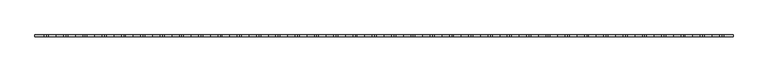
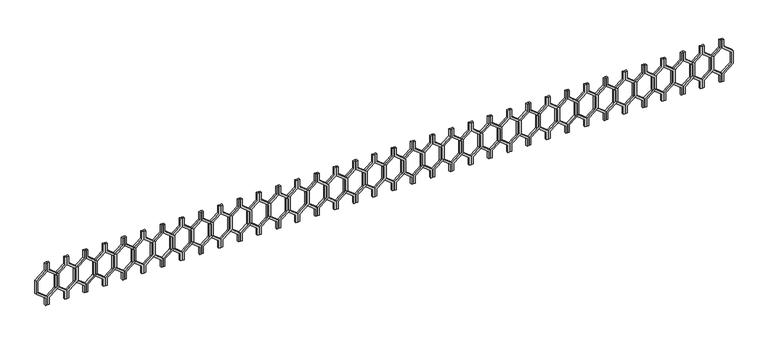
"""IFC4 building model written with IfcOpenShell, lengths in millimetres: railing geometry."""

from ifc_helpers import new_model, si_unit, frame, origin, place, context, project, spatial, polyline, outline, extrude, source, transform, mapped, element, save


def railing_6591c5d7(model_context):
    return source(origin(), model_context, "Body", "SweptSolid", [
        extrude(outline(polyline([(28862.5128869, 33745.0112841), (28862.5128869, 33725.0112841), (28782.5128869, 33725.0112841), (28702.5128869, 33626.0163347), (28562.5128869, 33626.0163347), (28482.5128869, 33725.0112841), (28402.5128869, 33725.0112841), (28402.5128869, 33745.0112841), (28492.0647319, 33745.0112841), (28572.0647319, 33646.0163347), (28692.9610419, 33646.0163347), (28772.9610419, 33745.0112841), (28862.5128869, 33745.0112841)])), frame((0.0, -16741.8920513, 0.0), z_axis=(0.0, 1.0, 0.0), x_axis=(0.0, 0.0, 1.0)), (0.0, 0.0, 1.0), 20.0),
        extrude(outline(polyline([(28862.5128869, 33745.0112841), (28772.9610419, 33745.0112841), (28692.9610419, 33844.0062335), (28572.0647319, 33844.0062335), (28492.0647319, 33745.0112841), (28402.5128869, 33745.0112841), (28402.5128869, 33765.0112841), (28482.5128869, 33765.0112841), (28562.5128869, 33864.0062335), (28702.5128869, 33864.0062335), (28782.5128869, 33765.0112841), (28862.5128869, 33765.0112841), (28862.5128869, 33745.0112841)])), frame((0.0, -16741.8920513, 0.0), z_axis=(0.0, 1.0, 0.0), x_axis=(0.0, 0.0, 1.0)), (0.0, 0.0, 1.0), 20.0),
        extrude(outline(polyline([(28862.5128869, 33945.0112841), (28862.5128869, 33925.0112841), (28782.5128869, 33925.0112841), (28702.5128869, 33826.0163347), (28562.5128869, 33826.0163347), (28482.5128869, 33925.0112841), (28402.5128869, 33925.0112841), (28402.5128869, 33945.0112841), (28492.0647319, 33945.0112841), (28572.0647319, 33846.0163347), (28692.9610419, 33846.0163347), (28772.9610419, 33945.0112841), (28862.5128869, 33945.0112841)])), frame((0.0, -16741.8920513, 0.0), z_axis=(0.0, 1.0, 0.0), x_axis=(0.0, 0.0, 1.0)), (0.0, 0.0, 1.0), 20.0),
        extrude(outline(polyline([(28862.5128869, 33945.0112841), (28772.9610419, 33945.0112841), (28692.9610419, 34044.0062335), (28572.0647319, 34044.0062335), (28492.0647319, 33945.0112841), (28402.5128869, 33945.0112841), (28402.5128869, 33965.0112841), (28482.5128869, 33965.0112841), (28562.5128869, 34064.0062335), (28702.5128869, 34064.0062335), (28782.5128869, 33965.0112841), (28862.5128869, 33965.0112841), (28862.5128869, 33945.0112841)])), frame((0.0, -16741.8920513, 0.0), z_axis=(0.0, 1.0, 0.0), x_axis=(0.0, 0.0, 1.0)), (0.0, 0.0, 1.0), 20.0),
        extrude(outline(polyline([(28862.5128869, 34145.0112841), (28862.5128869, 34125.0112841), (28782.5128869, 34125.0112841), (28702.5128869, 34026.0163347), (28562.5128869, 34026.0163347), (28482.5128869, 34125.0112841), (28402.5128869, 34125.0112841), (28402.5128869, 34145.0112841), (28492.0647319, 34145.0112841), (28572.0647319, 34046.0163347), (28692.9610419, 34046.0163347), (28772.9610419, 34145.0112841), (28862.5128869, 34145.0112841)])), frame((0.0, -16741.8920513, 0.0), z_axis=(0.0, 1.0, 0.0), x_axis=(0.0, 0.0, 1.0)), (0.0, 0.0, 1.0), 20.0),
        extrude(outline(polyline([(28862.5128869, 34145.0112841), (28772.9610419, 34145.0112841), (28692.9610419, 34244.0062335), (28572.0647319, 34244.0062335), (28492.0647319, 34145.0112841), (28402.5128869, 34145.0112841), (28402.5128869, 34165.0112841), (28482.5128869, 34165.0112841), (28562.5128869, 34264.0062335), (28702.5128869, 34264.0062335), (28782.5128869, 34165.0112841), (28862.5128869, 34165.0112841), (28862.5128869, 34145.0112841)])), frame((0.0, -16741.8920513, 0.0), z_axis=(0.0, 1.0, 0.0), x_axis=(0.0, 0.0, 1.0)), (0.0, 0.0, 1.0), 20.0),
        extrude(outline(polyline([(28862.5128869, 34345.0112841), (28862.5128869, 34325.0112841), (28782.5128869, 34325.0112841), (28702.5128869, 34226.0163347), (28562.5128869, 34226.0163347), (28482.5128869, 34325.0112841), (28402.5128869, 34325.0112841), (28402.5128869, 34345.0112841), (28492.0647319, 34345.0112841), (28572.0647319, 34246.0163347), (28692.9610419, 34246.0163347), (28772.9610419, 34345.0112841), (28862.5128869, 34345.0112841)])), frame((0.0, -16741.8920513, 0.0), z_axis=(0.0, 1.0, 0.0), x_axis=(0.0, 0.0, 1.0)), (0.0, 0.0, 1.0), 20.0),
        extrude(outline(polyline([(28862.5128869, 34345.0112841), (28772.9610419, 34345.0112841), (28692.9610419, 34444.0062335), (28572.0647319, 34444.0062335), (28492.0647319, 34345.0112841), (28402.5128869, 34345.0112841), (28402.5128869, 34365.0112841), (28482.5128869, 34365.0112841), (28562.5128869, 34464.0062335), (28702.5128869, 34464.0062335), (28782.5128869, 34365.0112841), (28862.5128869, 34365.0112841), (28862.5128869, 34345.0112841)])), frame((0.0, -16741.8920513, 0.0), z_axis=(0.0, 1.0, 0.0), x_axis=(0.0, 0.0, 1.0)), (0.0, 0.0, 1.0), 20.0),
        extrude(outline(polyline([(28862.5128869, 34545.0112841), (28862.5128869, 34525.0112841), (28782.5128869, 34525.0112841), (28702.5128869, 34426.0163347), (28562.5128869, 34426.0163347), (28482.5128869, 34525.0112841), (28402.5128869, 34525.0112841), (28402.5128869, 34545.0112841), (28492.0647319, 34545.0112841), (28572.0647319, 34446.0163347), (28692.9610419, 34446.0163347), (28772.9610419, 34545.0112841), (28862.5128869, 34545.0112841)])), frame((0.0, -16741.8920513, 0.0), z_axis=(0.0, 1.0, 0.0), x_axis=(0.0, 0.0, 1.0)), (0.0, 0.0, 1.0), 20.0),
        extrude(outline(polyline([(28862.5128869, 34545.0112841), (28772.9610419, 34545.0112841), (28692.9610419, 34644.0062335), (28572.0647319, 34644.0062335), (28492.0647319, 34545.0112841), (28402.5128869, 34545.0112841), (28402.5128869, 34565.0112841), (28482.5128869, 34565.0112841), (28562.5128869, 34664.0062335), (28702.5128869, 34664.0062335), (28782.5128869, 34565.0112841), (28862.5128869, 34565.0112841), (28862.5128869, 34545.0112841)])), frame((0.0, -16741.8920513, 0.0), z_axis=(0.0, 1.0, 0.0), x_axis=(0.0, 0.0, 1.0)), (0.0, 0.0, 1.0), 20.0),
        extrude(outline(polyline([(28862.5128869, 34745.0112841), (28862.5128869, 34725.0112841), (28782.5128869, 34725.0112841), (28702.5128869, 34626.0163347), (28562.5128869, 34626.0163347), (28482.5128869, 34725.0112841), (28402.5128869, 34725.0112841), (28402.5128869, 34745.0112841), (28492.0647319, 34745.0112841), (28572.0647319, 34646.0163347), (28692.9610419, 34646.0163347), (28772.9610419, 34745.0112841), (28862.5128869, 34745.0112841)])), frame((0.0, -16741.8920513, 0.0), z_axis=(0.0, 1.0, 0.0), x_axis=(0.0, 0.0, 1.0)), (0.0, 0.0, 1.0), 20.0),
        extrude(outline(polyline([(28862.5128869, 34745.0112841), (28772.9610419, 34745.0112841), (28692.9610419, 34844.0062335), (28572.0647319, 34844.0062335), (28492.0647319, 34745.0112841), (28402.5128869, 34745.0112841), (28402.5128869, 34765.0112841), (28482.5128869, 34765.0112841), (28562.5128869, 34864.0062335), (28702.5128869, 34864.0062335), (28782.5128869, 34765.0112841), (28862.5128869, 34765.0112841), (28862.5128869, 34745.0112841)])), frame((0.0, -16741.8920513, 0.0), z_axis=(0.0, 1.0, 0.0), x_axis=(0.0, 0.0, 1.0)), (0.0, 0.0, 1.0), 20.0),
        extrude(outline(polyline([(28862.5128869, 34945.0112841), (28862.5128869, 34925.0112841), (28782.5128869, 34925.0112841), (28702.5128869, 34826.0163347), (28562.5128869, 34826.0163347), (28482.5128869, 34925.0112841), (28402.5128869, 34925.0112841), (28402.5128869, 34945.0112841), (28492.0647319, 34945.0112841), (28572.0647319, 34846.0163347), (28692.9610419, 34846.0163347), (28772.9610419, 34945.0112841), (28862.5128869, 34945.0112841)])), frame((0.0, -16741.8920513, 0.0), z_axis=(0.0, 1.0, 0.0), x_axis=(0.0, 0.0, 1.0)), (0.0, 0.0, 1.0), 20.0),
        extrude(outline(polyline([(28862.5128869, 34945.0112841), (28772.9610419, 34945.0112841), (28692.9610419, 35044.0062335), (28572.0647319, 35044.0062335), (28492.0647319, 34945.0112841), (28402.5128869, 34945.0112841), (28402.5128869, 34965.0112841), (28482.5128869, 34965.0112841), (28562.5128869, 35064.0062335), (28702.5128869, 35064.0062335), (28782.5128869, 34965.0112841), (28862.5128869, 34965.0112841), (28862.5128869, 34945.0112841)])), frame((0.0, -16741.8920513, 0.0), z_axis=(0.0, 1.0, 0.0), x_axis=(0.0, 0.0, 1.0)), (0.0, 0.0, 1.0), 20.0),
        extrude(outline(polyline([(28862.5128869, 35145.0112841), (28862.5128869, 35125.0112841), (28782.5128869, 35125.0112841), (28702.5128869, 35026.0163347), (28562.5128869, 35026.0163347), (28482.5128869, 35125.0112841), (28402.5128869, 35125.0112841), (28402.5128869, 35145.0112841), (28492.0647319, 35145.0112841), (28572.0647319, 35046.0163347), (28692.9610419, 35046.0163347), (28772.9610419, 35145.0112841), (28862.5128869, 35145.0112841)])), frame((0.0, -16741.8920513, 0.0), z_axis=(0.0, 1.0, 0.0), x_axis=(0.0, 0.0, 1.0)), (0.0, 0.0, 1.0), 20.0),
        extrude(outline(polyline([(28862.5128869, 35145.0112841), (28772.9610419, 35145.0112841), (28692.9610419, 35244.0062335), (28572.0647319, 35244.0062335), (28492.0647319, 35145.0112841), (28402.5128869, 35145.0112841), (28402.5128869, 35165.0112841), (28482.5128869, 35165.0112841), (28562.5128869, 35264.0062335), (28702.5128869, 35264.0062335), (28782.5128869, 35165.0112841), (28862.5128869, 35165.0112841), (28862.5128869, 35145.0112841)])), frame((0.0, -16741.8920513, 0.0), z_axis=(0.0, 1.0, 0.0), x_axis=(0.0, 0.0, 1.0)), (0.0, 0.0, 1.0), 20.0),
        extrude(outline(polyline([(28862.5128869, 35345.0112841), (28862.5128869, 35325.0112841), (28782.5128869, 35325.0112841), (28702.5128869, 35226.0163347), (28562.5128869, 35226.0163347), (28482.5128869, 35325.0112841), (28402.5128869, 35325.0112841), (28402.5128869, 35345.0112841), (28492.0647319, 35345.0112841), (28572.0647319, 35246.0163347), (28692.9610419, 35246.0163347), (28772.9610419, 35345.0112841), (28862.5128869, 35345.0112841)])), frame((0.0, -16741.8920513, 0.0), z_axis=(0.0, 1.0, 0.0), x_axis=(0.0, 0.0, 1.0)), (0.0, 0.0, 1.0), 20.0),
        extrude(outline(polyline([(28862.5128869, 35345.0112841), (28772.9610419, 35345.0112841), (28692.9610419, 35444.0062335), (28572.0647319, 35444.0062335), (28492.0647319, 35345.0112841), (28402.5128869, 35345.0112841), (28402.5128869, 35365.0112841), (28482.5128869, 35365.0112841), (28562.5128869, 35464.0062335), (28702.5128869, 35464.0062335), (28782.5128869, 35365.0112841), (28862.5128869, 35365.0112841), (28862.5128869, 35345.0112841)])), frame((0.0, -16741.8920513, 0.0), z_axis=(0.0, 1.0, 0.0), x_axis=(0.0, 0.0, 1.0)), (0.0, 0.0, 1.0), 20.0),
        extrude(outline(polyline([(28862.5128869, 35545.0112841), (28862.5128869, 35525.0112841), (28782.5128869, 35525.0112841), (28702.5128869, 35426.0163347), (28562.5128869, 35426.0163347), (28482.5128869, 35525.0112841), (28402.5128869, 35525.0112841), (28402.5128869, 35545.0112841), (28492.0647319, 35545.0112841), (28572.0647319, 35446.0163347), (28692.9610419, 35446.0163347), (28772.9610419, 35545.0112841), (28862.5128869, 35545.0112841)])), frame((0.0, -16741.8920513, 0.0), z_axis=(0.0, 1.0, 0.0), x_axis=(0.0, 0.0, 1.0)), (0.0, 0.0, 1.0), 20.0),
        extrude(outline(polyline([(28862.5128869, 35545.0112841), (28772.9610419, 35545.0112841), (28692.9610419, 35644.0062335), (28572.0647319, 35644.0062335), (28492.0647319, 35545.0112841), (28402.5128869, 35545.0112841), (28402.5128869, 35565.0112841), (28482.5128869, 35565.0112841), (28562.5128869, 35664.0062335), (28702.5128869, 35664.0062335), (28782.5128869, 35565.0112841), (28862.5128869, 35565.0112841), (28862.5128869, 35545.0112841)])), frame((0.0, -16741.8920513, 0.0), z_axis=(0.0, 1.0, 0.0), x_axis=(0.0, 0.0, 1.0)), (0.0, 0.0, 1.0), 20.0),
        extrude(outline(polyline([(28862.5128869, 35745.0112841), (28862.5128869, 35725.0112841), (28782.5128869, 35725.0112841), (28702.5128869, 35626.0163347), (28562.5128869, 35626.0163347), (28482.5128869, 35725.0112841), (28402.5128869, 35725.0112841), (28402.5128869, 35745.0112841), (28492.0647319, 35745.0112841), (28572.0647319, 35646.0163347), (28692.9610419, 35646.0163347), (28772.9610419, 35745.0112841), (28862.5128869, 35745.0112841)])), frame((0.0, -16741.8920513, 0.0), z_axis=(0.0, 1.0, 0.0), x_axis=(0.0, 0.0, 1.0)), (0.0, 0.0, 1.0), 20.0),
        extrude(outline(polyline([(28862.5128869, 35745.0112841), (28772.9610419, 35745.0112841), (28692.9610419, 35844.0062335), (28572.0647319, 35844.0062335), (28492.0647319, 35745.0112841), (28402.5128869, 35745.0112841), (28402.5128869, 35765.0112841), (28482.5128869, 35765.0112841), (28562.5128869, 35864.0062335), (28702.5128869, 35864.0062335), (28782.5128869, 35765.0112841), (28862.5128869, 35765.0112841), (28862.5128869, 35745.0112841)])), frame((0.0, -16741.8920513, 0.0), z_axis=(0.0, 1.0, 0.0), x_axis=(0.0, 0.0, 1.0)), (0.0, 0.0, 1.0), 20.0),
        extrude(outline(polyline([(28862.5128869, 35945.0112841), (28862.5128869, 35925.0112841), (28782.5128869, 35925.0112841), (28702.5128869, 35826.0163347), (28562.5128869, 35826.0163347), (28482.5128869, 35925.0112841), (28402.5128869, 35925.0112841), (28402.5128869, 35945.0112841), (28492.0647319, 35945.0112841), (28572.0647319, 35846.0163347), (28692.9610419, 35846.0163347), (28772.9610419, 35945.0112841), (28862.5128869, 35945.0112841)])), frame((0.0, -16741.8920513, 0.0), z_axis=(0.0, 1.0, 0.0), x_axis=(0.0, 0.0, 1.0)), (0.0, 0.0, 1.0), 20.0),
        extrude(outline(polyline([(28862.5128869, 35945.0112841), (28772.9610419, 35945.0112841), (28692.9610419, 36044.0062335), (28572.0647319, 36044.0062335), (28492.0647319, 35945.0112841), (28402.5128869, 35945.0112841), (28402.5128869, 35965.0112841), (28482.5128869, 35965.0112841), (28562.5128869, 36064.0062335), (28702.5128869, 36064.0062335), (28782.5128869, 35965.0112841), (28862.5128869, 35965.0112841), (28862.5128869, 35945.0112841)])), frame((0.0, -16741.8920513, 0.0), z_axis=(0.0, 1.0, 0.0), x_axis=(0.0, 0.0, 1.0)), (0.0, 0.0, 1.0), 20.0),
        extrude(outline(polyline([(28862.5128869, 36145.0112841), (28862.5128869, 36125.0112841), (28782.5128869, 36125.0112841), (28702.5128869, 36026.0163347), (28562.5128869, 36026.0163347), (28482.5128869, 36125.0112841), (28402.5128869, 36125.0112841), (28402.5128869, 36145.0112841), (28492.0647319, 36145.0112841), (28572.0647319, 36046.0163347), (28692.9610419, 36046.0163347), (28772.9610419, 36145.0112841), (28862.5128869, 36145.0112841)])), frame((0.0, -16741.8920513, 0.0), z_axis=(0.0, 1.0, 0.0), x_axis=(0.0, 0.0, 1.0)), (0.0, 0.0, 1.0), 20.0),
        extrude(outline(polyline([(28862.5128869, 36145.0112841), (28772.9610419, 36145.0112841), (28692.9610419, 36244.0062335), (28572.0647319, 36244.0062335), (28492.0647319, 36145.0112841), (28402.5128869, 36145.0112841), (28402.5128869, 36165.0112841), (28482.5128869, 36165.0112841), (28562.5128869, 36264.0062335), (28702.5128869, 36264.0062335), (28782.5128869, 36165.0112841), (28862.5128869, 36165.0112841), (28862.5128869, 36145.0112841)])), frame((0.0, -16741.8920513, 0.0), z_axis=(0.0, 1.0, 0.0), x_axis=(0.0, 0.0, 1.0)), (0.0, 0.0, 1.0), 20.0),
        extrude(outline(polyline([(28862.5128869, 36345.0112841), (28862.5128869, 36325.0112841), (28782.5128869, 36325.0112841), (28702.5128869, 36226.0163347), (28562.5128869, 36226.0163347), (28482.5128869, 36325.0112841), (28402.5128869, 36325.0112841), (28402.5128869, 36345.0112841), (28492.0647319, 36345.0112841), (28572.0647319, 36246.0163347), (28692.9610419, 36246.0163347), (28772.9610419, 36345.0112841), (28862.5128869, 36345.0112841)])), frame((0.0, -16741.8920513, 0.0), z_axis=(0.0, 1.0, 0.0), x_axis=(0.0, 0.0, 1.0)), (0.0, 0.0, 1.0), 20.0),
        extrude(outline(polyline([(28862.5128869, 36345.0112841), (28772.9610419, 36345.0112841), (28692.9610419, 36444.0062335), (28572.0647319, 36444.0062335), (28492.0647319, 36345.0112841), (28402.5128869, 36345.0112841), (28402.5128869, 36365.0112841), (28482.5128869, 36365.0112841), (28562.5128869, 36464.0062335), (28702.5128869, 36464.0062335), (28782.5128869, 36365.0112841), (28862.5128869, 36365.0112841), (28862.5128869, 36345.0112841)])), frame((0.0, -16741.8920513, 0.0), z_axis=(0.0, 1.0, 0.0), x_axis=(0.0, 0.0, 1.0)), (0.0, 0.0, 1.0), 20.0),
        extrude(outline(polyline([(28862.5128869, 36545.0112841), (28862.5128869, 36525.0112841), (28782.5128869, 36525.0112841), (28702.5128869, 36426.0163347), (28562.5128869, 36426.0163347), (28482.5128869, 36525.0112841), (28402.5128869, 36525.0112841), (28402.5128869, 36545.0112841), (28492.0647319, 36545.0112841), (28572.0647319, 36446.0163347), (28692.9610419, 36446.0163347), (28772.9610419, 36545.0112841), (28862.5128869, 36545.0112841)])), frame((0.0, -16741.8920513, 0.0), z_axis=(0.0, 1.0, 0.0), x_axis=(0.0, 0.0, 1.0)), (0.0, 0.0, 1.0), 20.0),
        extrude(outline(polyline([(28862.5128869, 36545.0112841), (28772.9610419, 36545.0112841), (28692.9610419, 36644.0062335), (28572.0647319, 36644.0062335), (28492.0647319, 36545.0112841), (28402.5128869, 36545.0112841), (28402.5128869, 36565.0112841), (28482.5128869, 36565.0112841), (28562.5128869, 36664.0062335), (28702.5128869, 36664.0062335), (28782.5128869, 36565.0112841), (28862.5128869, 36565.0112841), (28862.5128869, 36545.0112841)])), frame((0.0, -16741.8920513, 0.0), z_axis=(0.0, 1.0, 0.0), x_axis=(0.0, 0.0, 1.0)), (0.0, 0.0, 1.0), 20.0),
        extrude(outline(polyline([(28862.5128869, 36745.0112841), (28862.5128869, 36725.0112841), (28782.5128869, 36725.0112841), (28702.5128869, 36626.0163347), (28562.5128869, 36626.0163347), (28482.5128869, 36725.0112841), (28402.5128869, 36725.0112841), (28402.5128869, 36745.0112841), (28492.0647319, 36745.0112841), (28572.0647319, 36646.0163347), (28692.9610419, 36646.0163347), (28772.9610419, 36745.0112841), (28862.5128869, 36745.0112841)])), frame((0.0, -16741.8920513, 0.0), z_axis=(0.0, 1.0, 0.0), x_axis=(0.0, 0.0, 1.0)), (0.0, 0.0, 1.0), 20.0),
        extrude(outline(polyline([(28862.5128869, 36745.0112841), (28772.9610419, 36745.0112841), (28692.9610419, 36844.0062335), (28572.0647319, 36844.0062335), (28492.0647319, 36745.0112841), (28402.5128869, 36745.0112841), (28402.5128869, 36765.0112841), (28482.5128869, 36765.0112841), (28562.5128869, 36864.0062335), (28702.5128869, 36864.0062335), (28782.5128869, 36765.0112841), (28862.5128869, 36765.0112841), (28862.5128869, 36745.0112841)])), frame((0.0, -16741.8920513, 0.0), z_axis=(0.0, 1.0, 0.0), x_axis=(0.0, 0.0, 1.0)), (0.0, 0.0, 1.0), 20.0),
        extrude(outline(polyline([(28862.5128869, 36945.0112841), (28862.5128869, 36925.0112841), (28782.5128869, 36925.0112841), (28702.5128869, 36826.0163347), (28562.5128869, 36826.0163347), (28482.5128869, 36925.0112841), (28402.5128869, 36925.0112841), (28402.5128869, 36945.0112841), (28492.0647319, 36945.0112841), (28572.0647319, 36846.0163347), (28692.9610419, 36846.0163347), (28772.9610419, 36945.0112841), (28862.5128869, 36945.0112841)])), frame((0.0, -16741.8920513, 0.0), z_axis=(0.0, 1.0, 0.0), x_axis=(0.0, 0.0, 1.0)), (0.0, 0.0, 1.0), 20.0),
        extrude(outline(polyline([(28862.5128869, 36945.0112841), (28772.9610419, 36945.0112841), (28692.9610419, 37044.0062335), (28572.0647319, 37044.0062335), (28492.0647319, 36945.0112841), (28402.5128869, 36945.0112841), (28402.5128869, 36965.0112841), (28482.5128869, 36965.0112841), (28562.5128869, 37064.0062335), (28702.5128869, 37064.0062335), (28782.5128869, 36965.0112841), (28862.5128869, 36965.0112841), (28862.5128869, 36945.0112841)])), frame((0.0, -16741.8920513, 0.0), z_axis=(0.0, 1.0, 0.0), x_axis=(0.0, 0.0, 1.0)), (0.0, 0.0, 1.0), 20.0),
        extrude(outline(polyline([(28862.5128869, 37145.0112841), (28862.5128869, 37125.0112841), (28782.5128869, 37125.0112841), (28702.5128869, 37026.0163347), (28562.5128869, 37026.0163347), (28482.5128869, 37125.0112841), (28402.5128869, 37125.0112841), (28402.5128869, 37145.0112841), (28492.0647319, 37145.0112841), (28572.0647319, 37046.0163347), (28692.9610419, 37046.0163347), (28772.9610419, 37145.0112841), (28862.5128869, 37145.0112841)])), frame((0.0, -16741.8920513, 0.0), z_axis=(0.0, 1.0, 0.0), x_axis=(0.0, 0.0, 1.0)), (0.0, 0.0, 1.0), 20.0),
        extrude(outline(polyline([(28862.5128869, 37145.0112841), (28772.9610419, 37145.0112841), (28692.9610419, 37244.0062335), (28572.0647319, 37244.0062335), (28492.0647319, 37145.0112841), (28402.5128869, 37145.0112841), (28402.5128869, 37165.0112841), (28482.5128869, 37165.0112841), (28562.5128869, 37264.0062335), (28702.5128869, 37264.0062335), (28782.5128869, 37165.0112841), (28862.5128869, 37165.0112841), (28862.5128869, 37145.0112841)])), frame((0.0, -16741.8920513, 0.0), z_axis=(0.0, 1.0, 0.0), x_axis=(0.0, 0.0, 1.0)), (0.0, 0.0, 1.0), 20.0),
        extrude(outline(polyline([(28862.5128869, 37345.0112841), (28862.5128869, 37325.0112841), (28782.5128869, 37325.0112841), (28702.5128869, 37226.0163347), (28562.5128869, 37226.0163347), (28482.5128869, 37325.0112841), (28402.5128869, 37325.0112841), (28402.5128869, 37345.0112841), (28492.0647319, 37345.0112841), (28572.0647319, 37246.0163347), (28692.9610419, 37246.0163347), (28772.9610419, 37345.0112841), (28862.5128869, 37345.0112841)])), frame((0.0, -16741.8920513, 0.0), z_axis=(0.0, 1.0, 0.0), x_axis=(0.0, 0.0, 1.0)), (0.0, 0.0, 1.0), 20.0),
        extrude(outline(polyline([(28862.5128869, 37345.0112841), (28772.9610419, 37345.0112841), (28692.9610419, 37444.0062335), (28572.0647319, 37444.0062335), (28492.0647319, 37345.0112841), (28402.5128869, 37345.0112841), (28402.5128869, 37365.0112841), (28482.5128869, 37365.0112841), (28562.5128869, 37464.0062335), (28702.5128869, 37464.0062335), (28782.5128869, 37365.0112841), (28862.5128869, 37365.0112841), (28862.5128869, 37345.0112841)])), frame((0.0, -16741.8920513, 0.0), z_axis=(0.0, 1.0, 0.0), x_axis=(0.0, 0.0, 1.0)), (0.0, 0.0, 1.0), 20.0),
        extrude(outline(polyline([(28862.5128869, 37545.0112841), (28862.5128869, 37525.0112841), (28782.5128869, 37525.0112841), (28702.5128869, 37426.0163347), (28562.5128869, 37426.0163347), (28482.5128869, 37525.0112841), (28402.5128869, 37525.0112841), (28402.5128869, 37545.0112841), (28492.0647319, 37545.0112841), (28572.0647319, 37446.0163347), (28692.9610419, 37446.0163347), (28772.9610419, 37545.0112841), (28862.5128869, 37545.0112841)])), frame((0.0, -16741.8920513, 0.0), z_axis=(0.0, 1.0, 0.0), x_axis=(0.0, 0.0, 1.0)), (0.0, 0.0, 1.0), 20.0),
        extrude(outline(polyline([(28862.5128869, 37545.0112841), (28772.9610419, 37545.0112841), (28692.9610419, 37644.0062335), (28572.0647319, 37644.0062335), (28492.0647319, 37545.0112841), (28402.5128869, 37545.0112841), (28402.5128869, 37565.0112841), (28482.5128869, 37565.0112841), (28562.5128869, 37664.0062335), (28702.5128869, 37664.0062335), (28782.5128869, 37565.0112841), (28862.5128869, 37565.0112841), (28862.5128869, 37545.0112841)])), frame((0.0, -16741.8920513, 0.0), z_axis=(0.0, 1.0, 0.0), x_axis=(0.0, 0.0, 1.0)), (0.0, 0.0, 1.0), 20.0),
        extrude(outline(polyline([(28862.5128869, 37745.0112841), (28862.5128869, 37725.0112841), (28782.5128869, 37725.0112841), (28702.5128869, 37626.0163347), (28562.5128869, 37626.0163347), (28482.5128869, 37725.0112841), (28402.5128869, 37725.0112841), (28402.5128869, 37745.0112841), (28492.0647319, 37745.0112841), (28572.0647319, 37646.0163347), (28692.9610419, 37646.0163347), (28772.9610419, 37745.0112841), (28862.5128869, 37745.0112841)])), frame((0.0, -16741.8920513, 0.0), z_axis=(0.0, 1.0, 0.0), x_axis=(0.0, 0.0, 1.0)), (0.0, 0.0, 1.0), 20.0),
        extrude(outline(polyline([(28862.5128869, 37745.0112841), (28772.9610419, 37745.0112841), (28692.9610419, 37844.0062335), (28572.0647319, 37844.0062335), (28492.0647319, 37745.0112841), (28402.5128869, 37745.0112841), (28402.5128869, 37765.0112841), (28482.5128869, 37765.0112841), (28562.5128869, 37864.0062335), (28702.5128869, 37864.0062335), (28782.5128869, 37765.0112841), (28862.5128869, 37765.0112841), (28862.5128869, 37745.0112841)])), frame((0.0, -16741.8920513, 0.0), z_axis=(0.0, 1.0, 0.0), x_axis=(0.0, 0.0, 1.0)), (0.0, 0.0, 1.0), 20.0),
        extrude(outline(polyline([(28862.5128869, 37945.0112841), (28862.5128869, 37925.0112841), (28782.5128869, 37925.0112841), (28702.5128869, 37826.0163347), (28562.5128869, 37826.0163347), (28482.5128869, 37925.0112841), (28402.5128869, 37925.0112841), (28402.5128869, 37945.0112841), (28492.0647319, 37945.0112841), (28572.0647319, 37846.0163347), (28692.9610419, 37846.0163347), (28772.9610419, 37945.0112841), (28862.5128869, 37945.0112841)])), frame((0.0, -16741.8920513, 0.0), z_axis=(0.0, 1.0, 0.0), x_axis=(0.0, 0.0, 1.0)), (0.0, 0.0, 1.0), 20.0),
        extrude(outline(polyline([(28862.5128869, 37945.0112841), (28772.9610419, 37945.0112841), (28692.9610419, 38044.0062335), (28572.0647319, 38044.0062335), (28492.0647319, 37945.0112841), (28402.5128869, 37945.0112841), (28402.5128869, 37965.0112841), (28482.5128869, 37965.0112841), (28562.5128869, 38064.0062335), (28702.5128869, 38064.0062335), (28782.5128869, 37965.0112841), (28862.5128869, 37965.0112841), (28862.5128869, 37945.0112841)])), frame((0.0, -16741.8920513, 0.0), z_axis=(0.0, 1.0, 0.0), x_axis=(0.0, 0.0, 1.0)), (0.0, 0.0, 1.0), 20.0),
        extrude(outline(polyline([(28862.5128869, 38145.0112841), (28862.5128869, 38125.0112841), (28782.5128869, 38125.0112841), (28702.5128869, 38026.0163347), (28562.5128869, 38026.0163347), (28482.5128869, 38125.0112841), (28402.5128869, 38125.0112841), (28402.5128869, 38145.0112841), (28492.0647319, 38145.0112841), (28572.0647319, 38046.0163347), (28692.9610419, 38046.0163347), (28772.9610419, 38145.0112841), (28862.5128869, 38145.0112841)])), frame((0.0, -16741.8920513, 0.0), z_axis=(0.0, 1.0, 0.0), x_axis=(0.0, 0.0, 1.0)), (0.0, 0.0, 1.0), 20.0),
        extrude(outline(polyline([(28862.5128869, 38145.0112841), (28772.9610419, 38145.0112841), (28692.9610419, 38244.0062335), (28572.0647319, 38244.0062335), (28492.0647319, 38145.0112841), (28402.5128869, 38145.0112841), (28402.5128869, 38165.0112841), (28482.5128869, 38165.0112841), (28562.5128869, 38264.0062335), (28702.5128869, 38264.0062335), (28782.5128869, 38165.0112841), (28862.5128869, 38165.0112841), (28862.5128869, 38145.0112841)])), frame((0.0, -16741.8920513, 0.0), z_axis=(0.0, 1.0, 0.0), x_axis=(0.0, 0.0, 1.0)), (0.0, 0.0, 1.0), 20.0),
        extrude(outline(polyline([(28862.5128869, 38345.0112841), (28862.5128869, 38325.0112841), (28782.5128869, 38325.0112841), (28702.5128869, 38226.0163347), (28562.5128869, 38226.0163347), (28482.5128869, 38325.0112841), (28402.5128869, 38325.0112841), (28402.5128869, 38345.0112841), (28492.0647319, 38345.0112841), (28572.0647319, 38246.0163347), (28692.9610419, 38246.0163347), (28772.9610419, 38345.0112841), (28862.5128869, 38345.0112841)])), frame((0.0, -16741.8920513, 0.0), z_axis=(0.0, 1.0, 0.0), x_axis=(0.0, 0.0, 1.0)), (0.0, 0.0, 1.0), 20.0),
        extrude(outline(polyline([(28862.5128869, 38345.0112841), (28772.9610419, 38345.0112841), (28692.9610419, 38444.0062335), (28572.0647319, 38444.0062335), (28492.0647319, 38345.0112841), (28402.5128869, 38345.0112841), (28402.5128869, 38365.0112841), (28482.5128869, 38365.0112841), (28562.5128869, 38464.0062335), (28702.5128869, 38464.0062335), (28782.5128869, 38365.0112841), (28862.5128869, 38365.0112841), (28862.5128869, 38345.0112841)])), frame((0.0, -16741.8920513, 0.0), z_axis=(0.0, 1.0, 0.0), x_axis=(0.0, 0.0, 1.0)), (0.0, 0.0, 1.0), 20.0),
        extrude(outline(polyline([(28862.5128869, 38545.0112841), (28862.5128869, 38525.0112841), (28782.5128869, 38525.0112841), (28702.5128869, 38426.0163347), (28562.5128869, 38426.0163347), (28482.5128869, 38525.0112841), (28402.5128869, 38525.0112841), (28402.5128869, 38545.0112841), (28492.0647319, 38545.0112841), (28572.0647319, 38446.0163347), (28692.9610419, 38446.0163347), (28772.9610419, 38545.0112841), (28862.5128869, 38545.0112841)])), frame((0.0, -16741.8920513, 0.0), z_axis=(0.0, 1.0, 0.0), x_axis=(0.0, 0.0, 1.0)), (0.0, 0.0, 1.0), 20.0),
        extrude(outline(polyline([(28862.5128869, 38545.0112841), (28772.9610419, 38545.0112841), (28692.9610419, 38644.0062335), (28572.0647319, 38644.0062335), (28492.0647319, 38545.0112841), (28402.5128869, 38545.0112841), (28402.5128869, 38565.0112841), (28482.5128869, 38565.0112841), (28562.5128869, 38664.0062335), (28702.5128869, 38664.0062335), (28782.5128869, 38565.0112841), (28862.5128869, 38565.0112841), (28862.5128869, 38545.0112841)])), frame((0.0, -16741.8920513, 0.0), z_axis=(0.0, 1.0, 0.0), x_axis=(0.0, 0.0, 1.0)), (0.0, 0.0, 1.0), 20.0),
        extrude(outline(polyline([(28862.5128869, 38745.0112841), (28862.5128869, 38725.0112841), (28782.5128869, 38725.0112841), (28702.5128869, 38626.0163347), (28562.5128869, 38626.0163347), (28482.5128869, 38725.0112841), (28402.5128869, 38725.0112841), (28402.5128869, 38745.0112841), (28492.0647319, 38745.0112841), (28572.0647319, 38646.0163347), (28692.9610419, 38646.0163347), (28772.9610419, 38745.0112841), (28862.5128869, 38745.0112841)])), frame((0.0, -16741.8920513, 0.0), z_axis=(0.0, 1.0, 0.0), x_axis=(0.0, 0.0, 1.0)), (0.0, 0.0, 1.0), 20.0),
        extrude(outline(polyline([(28862.5128869, 38745.0112841), (28772.9610419, 38745.0112841), (28692.9610419, 38844.0062335), (28572.0647319, 38844.0062335), (28492.0647319, 38745.0112841), (28402.5128869, 38745.0112841), (28402.5128869, 38765.0112841), (28482.5128869, 38765.0112841), (28562.5128869, 38864.0062335), (28702.5128869, 38864.0062335), (28782.5128869, 38765.0112841), (28862.5128869, 38765.0112841), (28862.5128869, 38745.0112841)])), frame((0.0, -16741.8920513, 0.0), z_axis=(0.0, 1.0, 0.0), x_axis=(0.0, 0.0, 1.0)), (0.0, 0.0, 1.0), 20.0),
        extrude(outline(polyline([(28862.5128869, 38945.0112841), (28862.5128869, 38925.0112841), (28782.5128869, 38925.0112841), (28702.5128869, 38826.0163347), (28562.5128869, 38826.0163347), (28482.5128869, 38925.0112841), (28402.5128869, 38925.0112841), (28402.5128869, 38945.0112841), (28492.0647319, 38945.0112841), (28572.0647319, 38846.0163347), (28692.9610419, 38846.0163347), (28772.9610419, 38945.0112841), (28862.5128869, 38945.0112841)])), frame((0.0, -16741.8920513, 0.0), z_axis=(0.0, 1.0, 0.0), x_axis=(0.0, 0.0, 1.0)), (0.0, 0.0, 1.0), 20.0),
        extrude(outline(polyline([(28862.5128869, 38945.0112841), (28772.9610419, 38945.0112841), (28692.9610419, 39044.0062335), (28572.0647319, 39044.0062335), (28492.0647319, 38945.0112841), (28402.5128869, 38945.0112841), (28402.5128869, 38965.0112841), (28482.5128869, 38965.0112841), (28562.5128869, 39064.0062335), (28702.5128869, 39064.0062335), (28782.5128869, 38965.0112841), (28862.5128869, 38965.0112841), (28862.5128869, 38945.0112841)])), frame((0.0, -16741.8920513, 0.0), z_axis=(0.0, 1.0, 0.0), x_axis=(0.0, 0.0, 1.0)), (0.0, 0.0, 1.0), 20.0),
        extrude(outline(polyline([(28862.5128869, 39145.0112841), (28862.5128869, 39125.0112841), (28782.5128869, 39125.0112841), (28702.5128869, 39026.0163347), (28562.5128869, 39026.0163347), (28482.5128869, 39125.0112841), (28402.5128869, 39125.0112841), (28402.5128869, 39145.0112841), (28492.0647319, 39145.0112841), (28572.0647319, 39046.0163347), (28692.9610419, 39046.0163347), (28772.9610419, 39145.0112841), (28862.5128869, 39145.0112841)])), frame((0.0, -16741.8920513, 0.0), z_axis=(0.0, 1.0, 0.0), x_axis=(0.0, 0.0, 1.0)), (0.0, 0.0, 1.0), 20.0),
        extrude(outline(polyline([(28862.5128869, 39145.0112841), (28772.9610419, 39145.0112841), (28692.9610419, 39244.0062335), (28572.0647319, 39244.0062335), (28492.0647319, 39145.0112841), (28402.5128869, 39145.0112841), (28402.5128869, 39165.0112841), (28482.5128869, 39165.0112841), (28562.5128869, 39264.0062335), (28702.5128869, 39264.0062335), (28782.5128869, 39165.0112841), (28862.5128869, 39165.0112841), (28862.5128869, 39145.0112841)])), frame((0.0, -16741.8920513, 0.0), z_axis=(0.0, 1.0, 0.0), x_axis=(0.0, 0.0, 1.0)), (0.0, 0.0, 1.0), 20.0),
        extrude(outline(polyline([(28862.5128869, 39345.0112841), (28862.5128869, 39325.0112841), (28782.5128869, 39325.0112841), (28702.5128869, 39226.0163347), (28562.5128869, 39226.0163347), (28482.5128869, 39325.0112841), (28402.5128869, 39325.0112841), (28402.5128869, 39345.0112841), (28492.0647319, 39345.0112841), (28572.0647319, 39246.0163347), (28692.9610419, 39246.0163347), (28772.9610419, 39345.0112841), (28862.5128869, 39345.0112841)])), frame((0.0, -16741.8920513, 0.0), z_axis=(0.0, 1.0, 0.0), x_axis=(0.0, 0.0, 1.0)), (0.0, 0.0, 1.0), 20.0),
        extrude(outline(polyline([(28862.5128869, 39345.0112841), (28772.9610419, 39345.0112841), (28692.9610419, 39444.0062335), (28572.0647319, 39444.0062335), (28492.0647319, 39345.0112841), (28402.5128869, 39345.0112841), (28402.5128869, 39365.0112841), (28482.5128869, 39365.0112841), (28562.5128869, 39464.0062335), (28702.5128869, 39464.0062335), (28782.5128869, 39365.0112841), (28862.5128869, 39365.0112841), (28862.5128869, 39345.0112841)])), frame((0.0, -16741.8920513, 0.0), z_axis=(0.0, 1.0, 0.0), x_axis=(0.0, 0.0, 1.0)), (0.0, 0.0, 1.0), 20.0),
        extrude(outline(polyline([(28862.5128869, 39545.0112841), (28862.5128869, 39525.0112841), (28782.5128869, 39525.0112841), (28702.5128869, 39426.0163347), (28562.5128869, 39426.0163347), (28482.5128869, 39525.0112841), (28402.5128869, 39525.0112841), (28402.5128869, 39545.0112841), (28492.0647319, 39545.0112841), (28572.0647319, 39446.0163347), (28692.9610419, 39446.0163347), (28772.9610419, 39545.0112841), (28862.5128869, 39545.0112841)])), frame((0.0, -16741.8920513, 0.0), z_axis=(0.0, 1.0, 0.0), x_axis=(0.0, 0.0, 1.0)), (0.0, 0.0, 1.0), 20.0),
        extrude(outline(polyline([(28862.5128869, 39545.0112841), (28772.9610419, 39545.0112841), (28692.9610419, 39644.0062335), (28572.0647319, 39644.0062335), (28492.0647319, 39545.0112841), (28402.5128869, 39545.0112841), (28402.5128869, 39565.0112841), (28482.5128869, 39565.0112841), (28562.5128869, 39664.0062335), (28702.5128869, 39664.0062335), (28782.5128869, 39565.0112841), (28862.5128869, 39565.0112841), (28862.5128869, 39545.0112841)])), frame((0.0, -16741.8920513, 0.0), z_axis=(0.0, 1.0, 0.0), x_axis=(0.0, 0.0, 1.0)), (0.0, 0.0, 1.0), 20.0),
        extrude(outline(polyline([(28862.5128869, 39745.0112841), (28862.5128869, 39725.0112841), (28782.5128869, 39725.0112841), (28702.5128869, 39626.0163347), (28562.5128869, 39626.0163347), (28482.5128869, 39725.0112841), (28402.5128869, 39725.0112841), (28402.5128869, 39745.0112841), (28492.0647319, 39745.0112841), (28572.0647319, 39646.0163347), (28692.9610419, 39646.0163347), (28772.9610419, 39745.0112841), (28862.5128869, 39745.0112841)])), frame((0.0, -16741.8920513, 0.0), z_axis=(0.0, 1.0, 0.0), x_axis=(0.0, 0.0, 1.0)), (0.0, 0.0, 1.0), 20.0),
        extrude(outline(polyline([(28862.5128869, 39745.0112841), (28772.9610419, 39745.0112841), (28692.9610419, 39844.0062335), (28572.0647319, 39844.0062335), (28492.0647319, 39745.0112841), (28402.5128869, 39745.0112841), (28402.5128869, 39765.0112841), (28482.5128869, 39765.0112841), (28562.5128869, 39864.0062335), (28702.5128869, 39864.0062335), (28782.5128869, 39765.0112841), (28862.5128869, 39765.0112841), (28862.5128869, 39745.0112841)])), frame((0.0, -16741.8920513, 0.0), z_axis=(0.0, 1.0, 0.0), x_axis=(0.0, 0.0, 1.0)), (0.0, 0.0, 1.0), 20.0),
        extrude(outline(polyline([(28862.5128869, 39945.0112841), (28862.5128869, 39925.0112841), (28782.5128869, 39925.0112841), (28702.5128869, 39826.0163347), (28562.5128869, 39826.0163347), (28482.5128869, 39925.0112841), (28402.5128869, 39925.0112841), (28402.5128869, 39945.0112841), (28492.0647319, 39945.0112841), (28572.0647319, 39846.0163347), (28692.9610419, 39846.0163347), (28772.9610419, 39945.0112841), (28862.5128869, 39945.0112841)])), frame((0.0, -16741.8920513, 0.0), z_axis=(0.0, 1.0, 0.0), x_axis=(0.0, 0.0, 1.0)), (0.0, 0.0, 1.0), 20.0),
        extrude(outline(polyline([(28862.5128869, 39945.0112841), (28772.9610419, 39945.0112841), (28692.9610419, 40044.0062335), (28572.0647319, 40044.0062335), (28492.0647319, 39945.0112841), (28402.5128869, 39945.0112841), (28402.5128869, 39965.0112841), (28482.5128869, 39965.0112841), (28562.5128869, 40064.0062335), (28702.5128869, 40064.0062335), (28782.5128869, 39965.0112841), (28862.5128869, 39965.0112841), (28862.5128869, 39945.0112841)])), frame((0.0, -16741.8920513, 0.0), z_axis=(0.0, 1.0, 0.0), x_axis=(0.0, 0.0, 1.0)), (0.0, 0.0, 1.0), 20.0),
        extrude(outline(polyline([(28862.5128869, 40145.0112841), (28862.5128869, 40125.0112841), (28782.5128869, 40125.0112841), (28702.5128869, 40026.0163347), (28562.5128869, 40026.0163347), (28482.5128869, 40125.0112841), (28402.5128869, 40125.0112841), (28402.5128869, 40145.0112841), (28492.0647319, 40145.0112841), (28572.0647319, 40046.0163347), (28692.9610419, 40046.0163347), (28772.9610419, 40145.0112841), (28862.5128869, 40145.0112841)])), frame((0.0, -16741.8920513, 0.0), z_axis=(0.0, 1.0, 0.0), x_axis=(0.0, 0.0, 1.0)), (0.0, 0.0, 1.0), 20.0),
        extrude(outline(polyline([(28862.5128869, 40145.0112841), (28772.9610419, 40145.0112841), (28692.9610419, 40244.0062335), (28572.0647319, 40244.0062335), (28492.0647319, 40145.0112841), (28402.5128869, 40145.0112841), (28402.5128869, 40165.0112841), (28482.5128869, 40165.0112841), (28562.5128869, 40264.0062335), (28702.5128869, 40264.0062335), (28782.5128869, 40165.0112841), (28862.5128869, 40165.0112841), (28862.5128869, 40145.0112841)])), frame((0.0, -16741.8920513, 0.0), z_axis=(0.0, 1.0, 0.0), x_axis=(0.0, 0.0, 1.0)), (0.0, 0.0, 1.0), 20.0),
        extrude(outline(polyline([(28862.5128869, 40345.0112841), (28862.5128869, 40325.0112841), (28782.5128869, 40325.0112841), (28702.5128869, 40226.0163347), (28562.5128869, 40226.0163347), (28482.5128869, 40325.0112841), (28402.5128869, 40325.0112841), (28402.5128869, 40345.0112841), (28492.0647319, 40345.0112841), (28572.0647319, 40246.0163347), (28692.9610419, 40246.0163347), (28772.9610419, 40345.0112841), (28862.5128869, 40345.0112841)])), frame((0.0, -16741.8920513, 0.0), z_axis=(0.0, 1.0, 0.0), x_axis=(0.0, 0.0, 1.0)), (0.0, 0.0, 1.0), 20.0),
        extrude(outline(polyline([(28862.5128869, 40345.0112841), (28772.9610419, 40345.0112841), (28692.9610419, 40444.0062335), (28572.0647319, 40444.0062335), (28492.0647319, 40345.0112841), (28402.5128869, 40345.0112841), (28402.5128869, 40365.0112841), (28482.5128869, 40365.0112841), (28562.5128869, 40464.0062335), (28702.5128869, 40464.0062335), (28782.5128869, 40365.0112841), (28862.5128869, 40365.0112841), (28862.5128869, 40345.0112841)])), frame((0.0, -16741.8920513, 0.0), z_axis=(0.0, 1.0, 0.0), x_axis=(0.0, 0.0, 1.0)), (0.0, 0.0, 1.0), 20.0),
        extrude(outline(polyline([(28862.5128869, 40545.0112841), (28862.5128869, 40525.0112841), (28782.5128869, 40525.0112841), (28702.5128869, 40426.0163347), (28562.5128869, 40426.0163347), (28482.5128869, 40525.0112841), (28402.5128869, 40525.0112841), (28402.5128869, 40545.0112841), (28492.0647319, 40545.0112841), (28572.0647319, 40446.0163347), (28692.9610419, 40446.0163347), (28772.9610419, 40545.0112841), (28862.5128869, 40545.0112841)])), frame((0.0, -16741.8920513, 0.0), z_axis=(0.0, 1.0, 0.0), x_axis=(0.0, 0.0, 1.0)), (0.0, 0.0, 1.0), 20.0),
        extrude(outline(polyline([(28862.5128869, 40545.0112841), (28772.9610419, 40545.0112841), (28692.9610419, 40644.0062335), (28572.0647319, 40644.0062335), (28492.0647319, 40545.0112841), (28402.5128869, 40545.0112841), (28402.5128869, 40565.0112841), (28482.5128869, 40565.0112841), (28562.5128869, 40664.0062335), (28702.5128869, 40664.0062335), (28782.5128869, 40565.0112841), (28862.5128869, 40565.0112841), (28862.5128869, 40545.0112841)])), frame((0.0, -16741.8920513, 0.0), z_axis=(0.0, 1.0, 0.0), x_axis=(0.0, 0.0, 1.0)), (0.0, 0.0, 1.0), 20.0),
        extrude(outline(polyline([(28862.5128869, 40745.0112841), (28862.5128869, 40725.0112841), (28782.5128869, 40725.0112841), (28702.5128869, 40626.0163347), (28562.5128869, 40626.0163347), (28482.5128869, 40725.0112841), (28402.5128869, 40725.0112841), (28402.5128869, 40745.0112841), (28492.0647319, 40745.0112841), (28572.0647319, 40646.0163347), (28692.9610419, 40646.0163347), (28772.9610419, 40745.0112841), (28862.5128869, 40745.0112841)])), frame((0.0, -16741.8920513, 0.0), z_axis=(0.0, 1.0, 0.0), x_axis=(0.0, 0.0, 1.0)), (0.0, 0.0, 1.0), 20.0),
        extrude(outline(polyline([(28862.5128869, 40745.0112841), (28772.9610419, 40745.0112841), (28692.9610419, 40844.0062335), (28572.0647319, 40844.0062335), (28492.0647319, 40745.0112841), (28402.5128869, 40745.0112841), (28402.5128869, 40765.0112841), (28482.5128869, 40765.0112841), (28562.5128869, 40864.0062335), (28702.5128869, 40864.0062335), (28782.5128869, 40765.0112841), (28862.5128869, 40765.0112841), (28862.5128869, 40745.0112841)])), frame((0.0, -16741.8920513, 0.0), z_axis=(0.0, 1.0, 0.0), x_axis=(0.0, 0.0, 1.0)), (0.0, 0.0, 1.0), 20.0),
    ])


if __name__ == "__main__":
    model = new_model("IFC4")
    model_context = context("Model", 3, world=origin())
    ifc_project = project(units=[si_unit("LENGTHUNIT", "METRE", prefix="MILLI")], contexts=[model_context])
    site = spatial("IfcSite", under=ifc_project)
    building = spatial("IfcBuilding", under=site)
    placement = place(None, origin())
    railing_shape = railing_6591c5d7(model_context)
    element("IfcRailing", 1, at=placement, inside=building, context=model_context, shape_type="MappedRepresentation", body=[
        mapped(railing_shape, transform((0.0, 0.0, 0.0), x_axis=(1.0, 0.0, 0.0), y_axis=(0.0, 1.0, 0.0), z_axis=(0.0, 0.0, 1.0))),
    ])
    save(model, "model.ifc")
